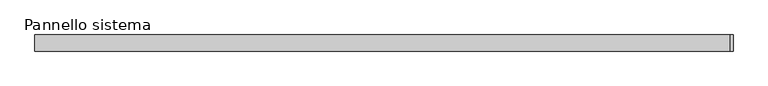
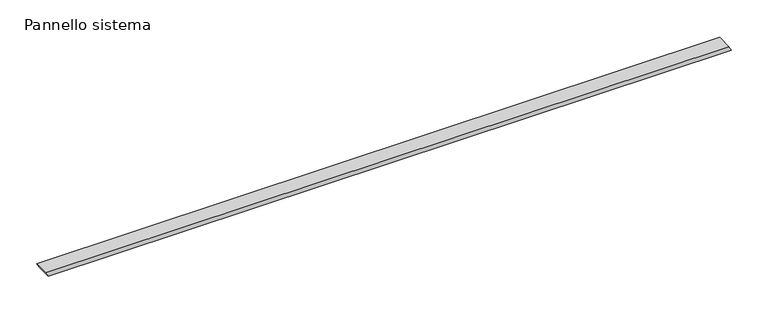
"""IFC4 building model written with IfcOpenShell, lengths in millimetres: plate geometry, Pannello sistema."""

from ifc_helpers import new_model, si_unit, origin, place, context, project, spatial, faceted_brep, source, transform, mapped, element, save


def pannello_sistema_566a87bd(model_context):
    return source(origin(), model_context, "Body", "Brep", [
        faceted_brep([(-537.4757031, -12.5, 0.0), (541.8745746, -12.5, 0.0), (537.4758007, -12.5, 7.4682793), (-541.8748558, -12.5, 7.4682793), (-537.4757031, 12.5, 0.0), (-541.8748558, 12.5, 7.4682793), (537.4758007, 12.5, 7.4682793), (541.8748558, 12.5, 0.0001657)], [[[0, 1, 2, 3]], [[4, 5, 6, 7]], [[1, 0, 4, 7]], [[2, 1, 7, 6]], [[3, 2, 6, 5]], [[0, 3, 5, 4]]]),
    ])


if __name__ == "__main__":
    model = new_model("IFC4")
    model_context = context("Model", 3, world=origin())
    ifc_project = project(units=[si_unit("LENGTHUNIT", "METRE", prefix="MILLI")], contexts=[model_context])
    site = spatial("IfcSite", under=ifc_project)
    building = spatial("IfcBuilding", under=site)
    placement = place(None, origin())
    pannello_sistema_shape = pannello_sistema_566a87bd(model_context)
    element("IfcPlate", 1, ObjectType="Pannello sistema", at=placement, inside=building, context=model_context, shape_type="MappedRepresentation", body=[
        mapped(pannello_sistema_shape, transform((0.0, 0.0, 0.0), x_axis=(1.0, 0.0, 0.0), y_axis=(0.0, 1.0, 0.0), z_axis=(0.0, 0.0, 1.0))),
    ])
    save(model, "model.ifc")
